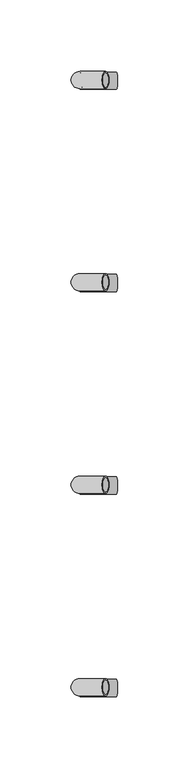
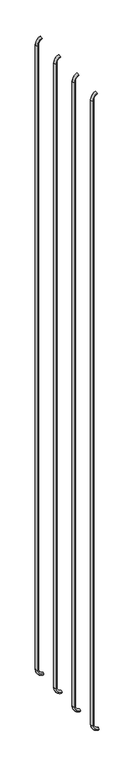
"""IFC4 building model written with IfcOpenShell, lengths in millimetres: beam geometry."""

from ifc_helpers import new_model, si_unit, point, frame, origin, place, context, project, spatial, polyline, circle_curve, ellipse_curve, trimmed, source, transform, mapped, element, save
from ifc_brep_helpers import plane_surface, cylinder_surface, revolved_surface, advanced_brep


def beam_6a7675a5(model_context):
    return source(origin(), model_context, "Body", "AdvancedBrep", [
        advanced_brep(
        [(1264.0568347, 2408.7998302, 2975.3158893), (1264.0568347, 2396.7998302, 2975.3158893), (1264.0568347, 2407.7998302, 2975.3158893), (1264.0568347, 2397.7998302, 2975.3158893), (1245.9802178, 2397.7998302, 2947.7871238), (1245.9802178, 2407.7998302, 2947.7871238), (1245.9802178, 2396.7998302, 2947.7871238), (1245.9802178, 2408.7998302, 2947.7871238), (1245.9802178, 2407.7998302, 28.8334898), (1245.9802178, 2397.7998302, 28.8334898), (1245.9802178, 2408.7998302, 28.8334898), (1245.9802178, 2396.7998302, 28.8334898), (1271.5997939, 2408.7998302, -0.8449854), (1271.5997939, 2396.7998302, -0.8449854), (1271.5997939, 2407.7998302, -0.8449854), (1271.5997939, 2397.7998302, -0.8449854)],
        [
            (0, 1, circle_curve(frame((1264.0568347, 2402.7998302, 2975.3158893), z_axis=(0.9176255197351176, 0.0, 0.3974461039321624), x_axis=(0.0, -1.0, 0.0)), 6.0)),
            (1, 0, circle_curve(frame((1264.0568347, 2402.7998302, 2975.3158893), z_axis=(0.9176255197351176, 0.0, 0.3974461039321624), x_axis=(0.0, -1.0, 0.0)), 6.0)),
            (2, 3, circle_curve(frame((1264.0568347, 2402.7998302, 2975.3158893), z_axis=(-0.9176255197351176, 0.0, -0.3974461039321624), x_axis=(0.0, -1.0, 0.0)), 5.0)),
            (3, 2, circle_curve(frame((1264.0568347, 2402.7998302, 2975.3158893), z_axis=(-0.9176255197351176, 0.0, -0.3974461039321624), x_axis=(0.0, -1.0, 0.0)), 5.0)),
            (4, 3, circle_curve(frame((1275.9802178, 2397.7998302, 2947.7871238), z_axis=(0.0, 1.0, 0.0), x_axis=(-0.3974461039321624, 0.0, 0.9176255197351176)), 30.0)),
            (2, 5, circle_curve(frame((1275.9802178, 2407.7998302, 2947.7871238), z_axis=(0.0, -1.0, 0.0), x_axis=(-0.3974461039321624, 0.0, 0.9176255197351176)), 30.0)),
            (5, 4, circle_curve(frame((1245.9802178, 2402.7998302, 2947.7871238), z_axis=(0.0, 0.0, -1.0), x_axis=(0.0, -1.0, 0.0)), 5.0)),
            (4, 5, circle_curve(frame((1245.9802178, 2402.7998302, 2947.7871238), z_axis=(0.0, 0.0, -1.0), x_axis=(0.0, -1.0, 0.0)), 5.0)),
            (6, 1, circle_curve(frame((1275.9802178, 2396.7998302, 2947.7871238), z_axis=(0.0, 1.0, 0.0), x_axis=(-0.3974461039321624, 0.0, 0.9176255197351176)), 30.0)),
            (0, 7, circle_curve(frame((1275.9802178, 2408.7998302, 2947.7871238), z_axis=(0.0, -1.0, 0.0), x_axis=(-0.3974461039321624, 0.0, 0.9176255197351176)), 30.0)),
            (7, 6, circle_curve(frame((1245.9802178, 2402.7998302, 2947.7871238), z_axis=(0.0, 0.0, 1.0), x_axis=(0.0, -1.0, 0.0)), 6.0)),
            (6, 7, circle_curve(frame((1245.9802178, 2402.7998302, 2947.7871238), z_axis=(0.0, 0.0, 1.0), x_axis=(0.0, -1.0, 0.0)), 6.0)),
            (5, 8),
            (8, 9, circle_curve(frame((1245.9802178, 2402.7998302, 28.8334898), z_axis=(0.0, 0.0, -1.0), x_axis=(0.0, -1.0, 0.0)), 5.0)),
            (9, 4),
            (9, 8, circle_curve(frame((1245.9802178, 2402.7998302, 28.8334898), z_axis=(0.0, 0.0, -1.0), x_axis=(0.0, -1.0, 0.0)), 5.0)),
            (7, 10),
            (10, 11, circle_curve(frame((1245.9802178, 2402.7998302, 28.8334898), z_axis=(0.0, 0.0, 1.0), x_axis=(0.0, -1.0, 0.0)), 6.0)),
            (11, 6),
            (11, 10, circle_curve(frame((1245.9802178, 2402.7998302, 28.8334898), z_axis=(0.0, 0.0, 1.0), x_axis=(0.0, -1.0, 0.0)), 6.0)),
            (12, 13, circle_curve(frame((1271.5997939, 2402.7998302, -0.8449854), z_axis=(0.9892825047438852, 0.0, -0.14601412879466397), x_axis=(0.0, -1.0, 0.0)), 6.0)),
            (13, 12, circle_curve(frame((1271.5997939, 2402.7998302, -0.8449854), z_axis=(0.9892825047438852, 0.0, -0.14601412879466397), x_axis=(0.0, -1.0, 0.0)), 6.0)),
            (14, 15, circle_curve(frame((1271.5997939, 2402.7998302, -0.8449854), z_axis=(-0.9892825047438852, 0.0, 0.14601412879466397), x_axis=(0.0, -1.0, 0.0)), 5.0)),
            (15, 14, circle_curve(frame((1271.5997939, 2402.7998302, -0.8449854), z_axis=(-0.9892825047438852, 0.0, 0.14601412879466397), x_axis=(0.0, -1.0, 0.0)), 5.0)),
            (15, 9, circle_curve(frame((1275.9802178, 2397.7998302, 28.8334898), z_axis=(0.0, 1.0, 0.0), x_axis=(-1.0, 0.0, 0.0)), 30.0)),
            (8, 14, circle_curve(frame((1275.9802178, 2407.7998302, 28.8334898), z_axis=(0.0, -1.0, 0.0), x_axis=(-1.0, 0.0, 0.0)), 30.0)),
            (13, 11, circle_curve(frame((1275.9802178, 2396.7998302, 28.8334898), z_axis=(0.0, 1.0, 0.0), x_axis=(-1.0, 0.0, 0.0)), 30.0)),
            (10, 12, circle_curve(frame((1275.9802178, 2408.7998302, 28.8334898), z_axis=(0.0, -1.0, 0.0), x_axis=(-1.0, 0.0, 0.0)), 30.0)),
        ],
        [
            plane_surface(frame((1264.0568347, 2402.7998302, 2975.3158893), z_axis=(0.9176255197351176, 0.0, 0.3974461039321624), x_axis=(0.0, -1.0, 0.0))),
            revolved_surface(trimmed(ellipse_curve(frame((1264.0568347, 2402.7998302, 2975.3158893), z_axis=(-0.9176255197351176, 0.0, -0.3974461039321624), x_axis=(0.0, -1.0, 0.0)), 5.0, 5.0), [point((1264.0568347, 2407.7998302, 2975.3158893))], [point((1264.0568347, 2397.7998302, 2975.3158893))], True, "CARTESIAN"), (1275.9802178, 2402.7998302, 2947.7871238), (0.0, -1.0, 0.0)),
            revolved_surface(trimmed(ellipse_curve(frame((1264.0568347, 2402.7998302, 2975.3158893), z_axis=(-0.9176255197351176, 0.0, -0.3974461039321624), x_axis=(0.0, -1.0, 0.0)), 5.0, 5.0), [point((1264.0568347, 2397.7998302, 2975.3158893))], [point((1264.0568347, 2407.7998302, 2975.3158893))], True, "CARTESIAN"), (1275.9802178, 2402.7998302, 2947.7871238), (0.0, -1.0, 0.0)),
            revolved_surface(trimmed(ellipse_curve(frame((1264.0568347, 2402.7998302, 2975.3158893), z_axis=(0.9176255197351176, 0.0, 0.3974461039321624), x_axis=(0.0, -1.0, 0.0)), 6.0, 6.0), [point((1264.0568347, 2408.7998302, 2975.3158893))], [point((1264.0568347, 2396.7998302, 2975.3158893))], True, "CARTESIAN"), (1275.9802178, 2402.7998302, 2947.7871238), (0.0, -1.0, 0.0)),
            revolved_surface(trimmed(ellipse_curve(frame((1264.0568347, 2402.7998302, 2975.3158893), z_axis=(0.9176255197351176, 0.0, 0.3974461039321624), x_axis=(0.0, -1.0, 0.0)), 6.0, 6.0), [point((1264.0568347, 2396.7998302, 2975.3158893))], [point((1264.0568347, 2408.7998302, 2975.3158893))], True, "CARTESIAN"), (1275.9802178, 2402.7998302, 2947.7871238), (0.0, -1.0, 0.0)),
            revolved_surface(polyline([(1245.9802178, 2397.7998302, 28.833489799999825), (1245.9802178, 2397.7998302, 2947.7871238)]), (1245.9802178, 2402.7998302, 2947.7871238), (0.0, 0.0, -1.0)),
            cylinder_surface(frame((1245.9802178, 2402.7998302, 2947.7871238), z_axis=(0.0, 0.0, 1.0), x_axis=(0.0, -1.0, 0.0)), 6.0),
            plane_surface(frame((1271.5997939, 2402.7998302, -0.8449854), z_axis=(0.9892825047438852, 0.0, -0.14601412879466397), x_axis=(0.0, -1.0, 0.0))),
            revolved_surface(trimmed(ellipse_curve(frame((1245.9802178, 2402.7998302, 28.8334898), z_axis=(0.0, 0.0, -1.0), x_axis=(0.0, -1.0, 0.0)), 5.0, 5.0), [point((1245.9802178, 2407.7998302, 28.8334898))], [point((1245.9802178, 2397.7998302, 28.8334898))], True, "CARTESIAN"), (1275.9802178, 2402.7998302, 28.8334898), (0.0, -1.0, 0.0)),
            revolved_surface(trimmed(ellipse_curve(frame((1245.9802178, 2402.7998302, 28.8334898), z_axis=(0.0, 0.0, -1.0), x_axis=(0.0, -1.0, 0.0)), 5.0, 5.0), [point((1245.9802178, 2397.7998302, 28.8334898))], [point((1245.9802178, 2407.7998302, 28.8334898))], True, "CARTESIAN"), (1275.9802178, 2402.7998302, 28.8334898), (0.0, -1.0, 0.0)),
            revolved_surface(trimmed(ellipse_curve(frame((1245.9802178, 2402.7998302, 28.8334898), z_axis=(0.0, 0.0, 1.0), x_axis=(0.0, -1.0, 0.0)), 6.0, 6.0), [point((1245.9802178, 2408.7998302, 28.8334898))], [point((1245.9802178, 2396.7998302, 28.8334898))], True, "CARTESIAN"), (1275.9802178, 2402.7998302, 28.8334898), (0.0, -1.0, 0.0)),
            revolved_surface(trimmed(ellipse_curve(frame((1245.9802178, 2402.7998302, 28.8334898), z_axis=(0.0, 0.0, 1.0), x_axis=(0.0, -1.0, 0.0)), 6.0, 6.0), [point((1245.9802178, 2396.7998302, 28.8334898))], [point((1245.9802178, 2408.7998302, 28.8334898))], True, "CARTESIAN"), (1275.9802178, 2402.7998302, 28.8334898), (0.0, -1.0, 0.0)),
        ],
        [
            (0, [[1, 2], [3, 4]]),
            (1, [[5, -3, 6, 7]]),
            (2, [[-6, -4, -5, 8]]),
            (3, [[9, -1, 10, 11]]),
            (4, [[-10, -2, -9, 12]]),
            (5, [[-7, 13, 14, 15]]),
            (5, [[-8, -15, 16, -13]]),
            (6, [[-11, 17, 18, 19]]),
            (6, [[-12, -19, 20, -17]]),
            (7, [[21, 22], [23, 24]]),
            (8, [[25, -14, 26, -24]]),
            (9, [[-26, -16, -25, -23]]),
            (10, [[27, -18, 28, -22]]),
            (11, [[-28, -20, -27, -21]]),
        ],
    ),
        advanced_brep(
        [(1264.0568347, 2550.3623302, 2975.3158893), (1264.0568347, 2538.3623302, 2975.3158893), (1264.0568347, 2549.3623302, 2975.3158893), (1264.0568347, 2539.3623302, 2975.3158893), (1245.9802178, 2539.3623302, 2947.7871238), (1245.9802178, 2549.3623302, 2947.7871238), (1245.9802178, 2538.3623302, 2947.7871238), (1245.9802178, 2550.3623302, 2947.7871238), (1245.9802178, 2549.3623302, 28.8334898), (1245.9802178, 2539.3623302, 28.8334898), (1245.9802178, 2550.3623302, 28.8334898), (1245.9802178, 2538.3623302, 28.8334898), (1271.5997939, 2550.3623302, -0.8449854), (1271.5997939, 2538.3623302, -0.8449854), (1271.5997939, 2549.3623302, -0.8449854), (1271.5997939, 2539.3623302, -0.8449854)],
        [
            (0, 1, circle_curve(frame((1264.0568347, 2544.3623302, 2975.3158893), z_axis=(0.9176255197351176, 0.0, 0.3974461039321624), x_axis=(0.0, -1.0, 0.0)), 6.0)),
            (1, 0, circle_curve(frame((1264.0568347, 2544.3623302, 2975.3158893), z_axis=(0.9176255197351176, 0.0, 0.3974461039321624), x_axis=(0.0, -1.0, 0.0)), 6.0)),
            (2, 3, circle_curve(frame((1264.0568347, 2544.3623302, 2975.3158893), z_axis=(-0.9176255197351176, 0.0, -0.3974461039321624), x_axis=(0.0, -1.0, 0.0)), 5.0)),
            (3, 2, circle_curve(frame((1264.0568347, 2544.3623302, 2975.3158893), z_axis=(-0.9176255197351176, 0.0, -0.3974461039321624), x_axis=(0.0, -1.0, 0.0)), 5.0)),
            (4, 3, circle_curve(frame((1275.9802178, 2539.3623302, 2947.7871238), z_axis=(0.0, 1.0, 0.0), x_axis=(-0.3974461039321624, 0.0, 0.9176255197351176)), 30.0)),
            (2, 5, circle_curve(frame((1275.9802178, 2549.3623302, 2947.7871238), z_axis=(0.0, -1.0, 0.0), x_axis=(-0.3974461039321624, 0.0, 0.9176255197351176)), 30.0)),
            (5, 4, circle_curve(frame((1245.9802178, 2544.3623302, 2947.7871238), z_axis=(0.0, 0.0, -1.0), x_axis=(0.0, -1.0, 0.0)), 5.0)),
            (4, 5, circle_curve(frame((1245.9802178, 2544.3623302, 2947.7871238), z_axis=(0.0, 0.0, -1.0), x_axis=(0.0, -1.0, 0.0)), 5.0)),
            (6, 1, circle_curve(frame((1275.9802178, 2538.3623302, 2947.7871238), z_axis=(0.0, 1.0, 0.0), x_axis=(-0.3974461039321624, 0.0, 0.9176255197351176)), 30.0)),
            (0, 7, circle_curve(frame((1275.9802178, 2550.3623302, 2947.7871238), z_axis=(0.0, -1.0, 0.0), x_axis=(-0.3974461039321624, 0.0, 0.9176255197351176)), 30.0)),
            (7, 6, circle_curve(frame((1245.9802178, 2544.3623302, 2947.7871238), z_axis=(0.0, 0.0, 1.0), x_axis=(0.0, -1.0, 0.0)), 6.0)),
            (6, 7, circle_curve(frame((1245.9802178, 2544.3623302, 2947.7871238), z_axis=(0.0, 0.0, 1.0), x_axis=(0.0, -1.0, 0.0)), 6.0)),
            (5, 8),
            (8, 9, circle_curve(frame((1245.9802178, 2544.3623302, 28.8334898), z_axis=(0.0, 0.0, -1.0), x_axis=(0.0, -1.0, 0.0)), 5.0)),
            (9, 4),
            (9, 8, circle_curve(frame((1245.9802178, 2544.3623302, 28.8334898), z_axis=(0.0, 0.0, -1.0), x_axis=(0.0, -1.0, 0.0)), 5.0)),
            (7, 10),
            (10, 11, circle_curve(frame((1245.9802178, 2544.3623302, 28.8334898), z_axis=(0.0, 0.0, 1.0), x_axis=(0.0, -1.0, 0.0)), 6.0)),
            (11, 6),
            (11, 10, circle_curve(frame((1245.9802178, 2544.3623302, 28.8334898), z_axis=(0.0, 0.0, 1.0), x_axis=(0.0, -1.0, 0.0)), 6.0)),
            (12, 13, circle_curve(frame((1271.5997939, 2544.3623302, -0.8449854), z_axis=(0.9892825047438852, 0.0, -0.14601412879466397), x_axis=(0.0, -1.0, 0.0)), 6.0)),
            (13, 12, circle_curve(frame((1271.5997939, 2544.3623302, -0.8449854), z_axis=(0.9892825047438852, 0.0, -0.14601412879466397), x_axis=(0.0, -1.0, 0.0)), 6.0)),
            (14, 15, circle_curve(frame((1271.5997939, 2544.3623302, -0.8449854), z_axis=(-0.9892825047438852, 0.0, 0.14601412879466397), x_axis=(0.0, -1.0, 0.0)), 5.0)),
            (15, 14, circle_curve(frame((1271.5997939, 2544.3623302, -0.8449854), z_axis=(-0.9892825047438852, 0.0, 0.14601412879466397), x_axis=(0.0, -1.0, 0.0)), 5.0)),
            (15, 9, circle_curve(frame((1275.9802178, 2539.3623302, 28.8334898), z_axis=(0.0, 1.0, 0.0), x_axis=(-1.0, 0.0, 0.0)), 30.0)),
            (8, 14, circle_curve(frame((1275.9802178, 2549.3623302, 28.8334898), z_axis=(0.0, -1.0, 0.0), x_axis=(-1.0, 0.0, 0.0)), 30.0)),
            (13, 11, circle_curve(frame((1275.9802178, 2538.3623302, 28.8334898), z_axis=(0.0, 1.0, 0.0), x_axis=(-1.0, 0.0, 0.0)), 30.0)),
            (10, 12, circle_curve(frame((1275.9802178, 2550.3623302, 28.8334898), z_axis=(0.0, -1.0, 0.0), x_axis=(-1.0, 0.0, 0.0)), 30.0)),
        ],
        [
            plane_surface(frame((1264.0568347, 2544.3623302, 2975.3158893), z_axis=(0.9176255197351176, 0.0, 0.3974461039321624), x_axis=(0.0, -1.0, 0.0))),
            revolved_surface(trimmed(ellipse_curve(frame((1264.0568347, 2544.3623302, 2975.3158893), z_axis=(-0.9176255197351176, 0.0, -0.3974461039321624), x_axis=(0.0, -1.0, 0.0)), 5.0, 5.0), [point((1264.0568347, 2549.3623302, 2975.3158893))], [point((1264.0568347, 2539.3623302, 2975.3158893))], True, "CARTESIAN"), (1275.9802178, 2544.3623302, 2947.7871238), (0.0, -1.0, 0.0)),
            revolved_surface(trimmed(ellipse_curve(frame((1264.0568347, 2544.3623302, 2975.3158893), z_axis=(-0.9176255197351176, 0.0, -0.3974461039321624), x_axis=(0.0, -1.0, 0.0)), 5.0, 5.0), [point((1264.0568347, 2539.3623302, 2975.3158893))], [point((1264.0568347, 2549.3623302, 2975.3158893))], True, "CARTESIAN"), (1275.9802178, 2544.3623302, 2947.7871238), (0.0, -1.0, 0.0)),
            revolved_surface(trimmed(ellipse_curve(frame((1264.0568347, 2544.3623302, 2975.3158893), z_axis=(0.9176255197351176, 0.0, 0.3974461039321624), x_axis=(0.0, -1.0, 0.0)), 6.0, 6.0), [point((1264.0568347, 2550.3623302, 2975.3158893))], [point((1264.0568347, 2538.3623302, 2975.3158893))], True, "CARTESIAN"), (1275.9802178, 2544.3623302, 2947.7871238), (0.0, -1.0, 0.0)),
            revolved_surface(trimmed(ellipse_curve(frame((1264.0568347, 2544.3623302, 2975.3158893), z_axis=(0.9176255197351176, 0.0, 0.3974461039321624), x_axis=(0.0, -1.0, 0.0)), 6.0, 6.0), [point((1264.0568347, 2538.3623302, 2975.3158893))], [point((1264.0568347, 2550.3623302, 2975.3158893))], True, "CARTESIAN"), (1275.9802178, 2544.3623302, 2947.7871238), (0.0, -1.0, 0.0)),
            revolved_surface(polyline([(1245.9802178, 2539.3623302, 28.833489799999825), (1245.9802178, 2539.3623302, 2947.7871238)]), (1245.9802178, 2544.3623302, 2947.7871238), (0.0, 0.0, -1.0)),
            cylinder_surface(frame((1245.9802178, 2544.3623302, 2947.7871238), z_axis=(0.0, 0.0, 1.0), x_axis=(0.0, -1.0, 0.0)), 6.0),
            plane_surface(frame((1271.5997939, 2544.3623302, -0.8449854), z_axis=(0.9892825047438852, 0.0, -0.14601412879466397), x_axis=(0.0, -1.0, 0.0))),
            revolved_surface(trimmed(ellipse_curve(frame((1245.9802178, 2544.3623302, 28.8334898), z_axis=(0.0, 0.0, -1.0), x_axis=(0.0, -1.0, 0.0)), 5.0, 5.0), [point((1245.9802178, 2549.3623302, 28.8334898))], [point((1245.9802178, 2539.3623302, 28.8334898))], True, "CARTESIAN"), (1275.9802178, 2544.3623302, 28.8334898), (0.0, -1.0, 0.0)),
            revolved_surface(trimmed(ellipse_curve(frame((1245.9802178, 2544.3623302, 28.8334898), z_axis=(0.0, 0.0, -1.0), x_axis=(0.0, -1.0, 0.0)), 5.0, 5.0), [point((1245.9802178, 2539.3623302, 28.8334898))], [point((1245.9802178, 2549.3623302, 28.8334898))], True, "CARTESIAN"), (1275.9802178, 2544.3623302, 28.8334898), (0.0, -1.0, 0.0)),
            revolved_surface(trimmed(ellipse_curve(frame((1245.9802178, 2544.3623302, 28.8334898), z_axis=(0.0, 0.0, 1.0), x_axis=(0.0, -1.0, 0.0)), 6.0, 6.0), [point((1245.9802178, 2550.3623302, 28.8334898))], [point((1245.9802178, 2538.3623302, 28.8334898))], True, "CARTESIAN"), (1275.9802178, 2544.3623302, 28.8334898), (0.0, -1.0, 0.0)),
            revolved_surface(trimmed(ellipse_curve(frame((1245.9802178, 2544.3623302, 28.8334898), z_axis=(0.0, 0.0, 1.0), x_axis=(0.0, -1.0, 0.0)), 6.0, 6.0), [point((1245.9802178, 2538.3623302, 28.8334898))], [point((1245.9802178, 2550.3623302, 28.8334898))], True, "CARTESIAN"), (1275.9802178, 2544.3623302, 28.8334898), (0.0, -1.0, 0.0)),
        ],
        [
            (0, [[1, 2], [3, 4]]),
            (1, [[5, -3, 6, 7]]),
            (2, [[-6, -4, -5, 8]]),
            (3, [[9, -1, 10, 11]]),
            (4, [[-10, -2, -9, 12]]),
            (5, [[-7, 13, 14, 15]]),
            (5, [[-8, -15, 16, -13]]),
            (6, [[-11, 17, 18, 19]]),
            (6, [[-12, -19, 20, -17]]),
            (7, [[21, 22], [23, 24]]),
            (8, [[25, -14, 26, -24]]),
            (9, [[-26, -16, -25, -23]]),
            (10, [[27, -18, 28, -22]]),
            (11, [[-28, -20, -27, -21]]),
        ],
    ),
        advanced_brep(
        [(1264.0568347, 2833.4873302, 2975.3158893), (1264.0568347, 2821.4873302, 2975.3158893), (1264.0568347, 2832.4873302, 2975.3158893), (1264.0568347, 2822.4873302, 2975.3158893), (1245.9802178, 2822.4873302, 2947.7871238), (1245.9802178, 2832.4873302, 2947.7871238), (1245.9802178, 2821.4873302, 2947.7871238), (1245.9802178, 2833.4873302, 2947.7871238), (1245.9802178, 2832.4873302, 28.8334898), (1245.9802178, 2822.4873302, 28.8334898), (1245.9802178, 2833.4873302, 28.8334898), (1245.9802178, 2821.4873302, 28.8334898), (1271.5997939, 2833.4873302, -0.8449854), (1271.5997939, 2821.4873302, -0.8449854), (1271.5997939, 2832.4873302, -0.8449854), (1271.5997939, 2822.4873302, -0.8449854)],
        [
            (0, 1, circle_curve(frame((1264.0568347, 2827.4873302, 2975.3158893), z_axis=(0.9176255197351176, 0.0, 0.3974461039321624), x_axis=(0.0, -1.0, 0.0)), 6.0)),
            (1, 0, circle_curve(frame((1264.0568347, 2827.4873302, 2975.3158893), z_axis=(0.9176255197351176, 0.0, 0.3974461039321624), x_axis=(0.0, -1.0, 0.0)), 6.0)),
            (2, 3, circle_curve(frame((1264.0568347, 2827.4873302, 2975.3158893), z_axis=(-0.9176255197351176, 0.0, -0.3974461039321624), x_axis=(0.0, -1.0, 0.0)), 5.0)),
            (3, 2, circle_curve(frame((1264.0568347, 2827.4873302, 2975.3158893), z_axis=(-0.9176255197351176, 0.0, -0.3974461039321624), x_axis=(0.0, -1.0, 0.0)), 5.0)),
            (4, 3, circle_curve(frame((1275.9802178, 2822.4873302, 2947.7871238), z_axis=(0.0, 1.0, 0.0), x_axis=(-0.3974461039321624, 0.0, 0.9176255197351176)), 30.0)),
            (2, 5, circle_curve(frame((1275.9802178, 2832.4873302, 2947.7871238), z_axis=(0.0, -1.0, 0.0), x_axis=(-0.3974461039321624, 0.0, 0.9176255197351176)), 30.0)),
            (5, 4, circle_curve(frame((1245.9802178, 2827.4873302, 2947.7871238), z_axis=(0.0, 0.0, -1.0), x_axis=(0.0, -1.0, 0.0)), 5.0)),
            (4, 5, circle_curve(frame((1245.9802178, 2827.4873302, 2947.7871238), z_axis=(0.0, 0.0, -1.0), x_axis=(0.0, -1.0, 0.0)), 5.0)),
            (6, 1, circle_curve(frame((1275.9802178, 2821.4873302, 2947.7871238), z_axis=(0.0, 1.0, 0.0), x_axis=(-0.3974461039321624, 0.0, 0.9176255197351176)), 30.0)),
            (0, 7, circle_curve(frame((1275.9802178, 2833.4873302, 2947.7871238), z_axis=(0.0, -1.0, 0.0), x_axis=(-0.3974461039321624, 0.0, 0.9176255197351176)), 30.0)),
            (7, 6, circle_curve(frame((1245.9802178, 2827.4873302, 2947.7871238), z_axis=(0.0, 0.0, 1.0), x_axis=(0.0, -1.0, 0.0)), 6.0)),
            (6, 7, circle_curve(frame((1245.9802178, 2827.4873302, 2947.7871238), z_axis=(0.0, 0.0, 1.0), x_axis=(0.0, -1.0, 0.0)), 6.0)),
            (5, 8),
            (8, 9, circle_curve(frame((1245.9802178, 2827.4873302, 28.8334898), z_axis=(0.0, 0.0, -1.0), x_axis=(0.0, -1.0, 0.0)), 5.0)),
            (9, 4),
            (9, 8, circle_curve(frame((1245.9802178, 2827.4873302, 28.8334898), z_axis=(0.0, 0.0, -1.0), x_axis=(0.0, -1.0, 0.0)), 5.0)),
            (7, 10),
            (10, 11, circle_curve(frame((1245.9802178, 2827.4873302, 28.8334898), z_axis=(0.0, 0.0, 1.0), x_axis=(0.0, -1.0, 0.0)), 6.0)),
            (11, 6),
            (11, 10, circle_curve(frame((1245.9802178, 2827.4873302, 28.8334898), z_axis=(0.0, 0.0, 1.0), x_axis=(0.0, -1.0, 0.0)), 6.0)),
            (12, 13, circle_curve(frame((1271.5997939, 2827.4873302, -0.8449854), z_axis=(0.9892825047438852, 0.0, -0.14601412879466397), x_axis=(0.0, -1.0, 0.0)), 6.0)),
            (13, 12, circle_curve(frame((1271.5997939, 2827.4873302, -0.8449854), z_axis=(0.9892825047438852, 0.0, -0.14601412879466397), x_axis=(0.0, -1.0, 0.0)), 6.0)),
            (14, 15, circle_curve(frame((1271.5997939, 2827.4873302, -0.8449854), z_axis=(-0.9892825047438852, 0.0, 0.14601412879466397), x_axis=(0.0, -1.0, 0.0)), 5.0)),
            (15, 14, circle_curve(frame((1271.5997939, 2827.4873302, -0.8449854), z_axis=(-0.9892825047438852, 0.0, 0.14601412879466397), x_axis=(0.0, -1.0, 0.0)), 5.0)),
            (15, 9, circle_curve(frame((1275.9802178, 2822.4873302, 28.8334898), z_axis=(0.0, 1.0, 0.0), x_axis=(-1.0, 0.0, 0.0)), 30.0)),
            (8, 14, circle_curve(frame((1275.9802178, 2832.4873302, 28.8334898), z_axis=(0.0, -1.0, 0.0), x_axis=(-1.0, 0.0, 0.0)), 30.0)),
            (13, 11, circle_curve(frame((1275.9802178, 2821.4873302, 28.8334898), z_axis=(0.0, 1.0, 0.0), x_axis=(-1.0, 0.0, 0.0)), 30.0)),
            (10, 12, circle_curve(frame((1275.9802178, 2833.4873302, 28.8334898), z_axis=(0.0, -1.0, 0.0), x_axis=(-1.0, 0.0, 0.0)), 30.0)),
        ],
        [
            plane_surface(frame((1264.0568347, 2827.4873302, 2975.3158893), z_axis=(0.9176255197351176, 0.0, 0.3974461039321624), x_axis=(0.0, -1.0, 0.0))),
            revolved_surface(trimmed(ellipse_curve(frame((1264.0568347, 2827.4873302, 2975.3158893), z_axis=(-0.9176255197351176, 0.0, -0.3974461039321624), x_axis=(0.0, -1.0, 0.0)), 5.0, 5.0), [point((1264.0568347, 2832.4873302, 2975.3158893))], [point((1264.0568347, 2822.4873302, 2975.3158893))], True, "CARTESIAN"), (1275.9802178, 2827.4873302, 2947.7871238), (0.0, -1.0, 0.0)),
            revolved_surface(trimmed(ellipse_curve(frame((1264.0568347, 2827.4873302, 2975.3158893), z_axis=(-0.9176255197351176, 0.0, -0.3974461039321624), x_axis=(0.0, -1.0, 0.0)), 5.0, 5.0), [point((1264.0568347, 2822.4873302, 2975.3158893))], [point((1264.0568347, 2832.4873302, 2975.3158893))], True, "CARTESIAN"), (1275.9802178, 2827.4873302, 2947.7871238), (0.0, -1.0, 0.0)),
            revolved_surface(trimmed(ellipse_curve(frame((1264.0568347, 2827.4873302, 2975.3158893), z_axis=(0.9176255197351176, 0.0, 0.3974461039321624), x_axis=(0.0, -1.0, 0.0)), 6.0, 6.0), [point((1264.0568347, 2833.4873302, 2975.3158893))], [point((1264.0568347, 2821.4873302, 2975.3158893))], True, "CARTESIAN"), (1275.9802178, 2827.4873302, 2947.7871238), (0.0, -1.0, 0.0)),
            revolved_surface(trimmed(ellipse_curve(frame((1264.0568347, 2827.4873302, 2975.3158893), z_axis=(0.9176255197351176, 0.0, 0.3974461039321624), x_axis=(0.0, -1.0, 0.0)), 6.0, 6.0), [point((1264.0568347, 2821.4873302, 2975.3158893))], [point((1264.0568347, 2833.4873302, 2975.3158893))], True, "CARTESIAN"), (1275.9802178, 2827.4873302, 2947.7871238), (0.0, -1.0, 0.0)),
            revolved_surface(polyline([(1245.9802178, 2822.4873302, 28.833489799999825), (1245.9802178, 2822.4873302, 2947.7871238)]), (1245.9802178, 2827.4873302, 2947.7871238), (0.0, 0.0, -1.0)),
            cylinder_surface(frame((1245.9802178, 2827.4873302, 2947.7871238), z_axis=(0.0, 0.0, 1.0), x_axis=(0.0, -1.0, 0.0)), 6.0),
            plane_surface(frame((1271.5997939, 2827.4873302, -0.8449854), z_axis=(0.9892825047438852, 0.0, -0.14601412879466397), x_axis=(0.0, -1.0, 0.0))),
            revolved_surface(trimmed(ellipse_curve(frame((1245.9802178, 2827.4873302, 28.8334898), z_axis=(0.0, 0.0, -1.0), x_axis=(0.0, -1.0, 0.0)), 5.0, 5.0), [point((1245.9802178, 2832.4873302, 28.8334898))], [point((1245.9802178, 2822.4873302, 28.8334898))], True, "CARTESIAN"), (1275.9802178, 2827.4873302, 28.8334898), (0.0, -1.0, 0.0)),
            revolved_surface(trimmed(ellipse_curve(frame((1245.9802178, 2827.4873302, 28.8334898), z_axis=(0.0, 0.0, -1.0), x_axis=(0.0, -1.0, 0.0)), 5.0, 5.0), [point((1245.9802178, 2822.4873302, 28.8334898))], [point((1245.9802178, 2832.4873302, 28.8334898))], True, "CARTESIAN"), (1275.9802178, 2827.4873302, 28.8334898), (0.0, -1.0, 0.0)),
            revolved_surface(trimmed(ellipse_curve(frame((1245.9802178, 2827.4873302, 28.8334898), z_axis=(0.0, 0.0, 1.0), x_axis=(0.0, -1.0, 0.0)), 6.0, 6.0), [point((1245.9802178, 2833.4873302, 28.8334898))], [point((1245.9802178, 2821.4873302, 28.8334898))], True, "CARTESIAN"), (1275.9802178, 2827.4873302, 28.8334898), (0.0, -1.0, 0.0)),
            revolved_surface(trimmed(ellipse_curve(frame((1245.9802178, 2827.4873302, 28.8334898), z_axis=(0.0, 0.0, 1.0), x_axis=(0.0, -1.0, 0.0)), 6.0, 6.0), [point((1245.9802178, 2821.4873302, 28.8334898))], [point((1245.9802178, 2833.4873302, 28.8334898))], True, "CARTESIAN"), (1275.9802178, 2827.4873302, 28.8334898), (0.0, -1.0, 0.0)),
        ],
        [
            (0, [[1, 2], [3, 4]]),
            (1, [[5, -3, 6, 7]]),
            (2, [[-6, -4, -5, 8]]),
            (3, [[9, -1, 10, 11]]),
            (4, [[-10, -2, -9, 12]]),
            (5, [[-7, 13, 14, 15]]),
            (5, [[-8, -15, 16, -13]]),
            (6, [[-11, 17, 18, 19]]),
            (6, [[-12, -19, 20, -17]]),
            (7, [[21, 22], [23, 24]]),
            (8, [[25, -14, 26, -24]]),
            (9, [[-26, -16, -25, -23]]),
            (10, [[27, -18, 28, -22]]),
            (11, [[-28, -20, -27, -21]]),
        ],
    ),
        advanced_brep(
        [(1264.0568347, 2692.0810802, 2975.3158893), (1264.0568347, 2680.0810802, 2975.3158893), (1264.0568347, 2691.0810802, 2975.3158893), (1264.0568347, 2681.0810802, 2975.3158893), (1245.9802178, 2681.0810802, 2947.7871238), (1245.9802178, 2691.0810802, 2947.7871238), (1245.9802178, 2680.0810802, 2947.7871238), (1245.9802178, 2692.0810802, 2947.7871238), (1245.9802178, 2691.0810802, 28.8334898), (1245.9802178, 2681.0810802, 28.8334898), (1245.9802178, 2692.0810802, 28.8334898), (1245.9802178, 2680.0810802, 28.8334898), (1271.5997939, 2692.0810802, -0.8449854), (1271.5997939, 2680.0810802, -0.8449854), (1271.5997939, 2691.0810802, -0.8449854), (1271.5997939, 2681.0810802, -0.8449854)],
        [
            (0, 1, circle_curve(frame((1264.0568347, 2686.0810802, 2975.3158893), z_axis=(0.9176255197351176, 0.0, 0.3974461039321624), x_axis=(0.0, -1.0, 0.0)), 6.0)),
            (1, 0, circle_curve(frame((1264.0568347, 2686.0810802, 2975.3158893), z_axis=(0.9176255197351176, 0.0, 0.3974461039321624), x_axis=(0.0, -1.0, 0.0)), 6.0)),
            (2, 3, circle_curve(frame((1264.0568347, 2686.0810802, 2975.3158893), z_axis=(-0.9176255197351176, 0.0, -0.3974461039321624), x_axis=(0.0, -1.0, 0.0)), 5.0)),
            (3, 2, circle_curve(frame((1264.0568347, 2686.0810802, 2975.3158893), z_axis=(-0.9176255197351176, 0.0, -0.3974461039321624), x_axis=(0.0, -1.0, 0.0)), 5.0)),
            (4, 3, circle_curve(frame((1275.9802178, 2681.0810802, 2947.7871238), z_axis=(0.0, 1.0, 0.0), x_axis=(-0.3974461039321624, 0.0, 0.9176255197351176)), 30.0)),
            (2, 5, circle_curve(frame((1275.9802178, 2691.0810802, 2947.7871238), z_axis=(0.0, -1.0, 0.0), x_axis=(-0.3974461039321624, 0.0, 0.9176255197351176)), 30.0)),
            (5, 4, circle_curve(frame((1245.9802178, 2686.0810802, 2947.7871238), z_axis=(0.0, 0.0, -1.0), x_axis=(0.0, -1.0, 0.0)), 5.0)),
            (4, 5, circle_curve(frame((1245.9802178, 2686.0810802, 2947.7871238), z_axis=(0.0, 0.0, -1.0), x_axis=(0.0, -1.0, 0.0)), 5.0)),
            (6, 1, circle_curve(frame((1275.9802178, 2680.0810802, 2947.7871238), z_axis=(0.0, 1.0, 0.0), x_axis=(-0.3974461039321624, 0.0, 0.9176255197351176)), 30.0)),
            (0, 7, circle_curve(frame((1275.9802178, 2692.0810802, 2947.7871238), z_axis=(0.0, -1.0, 0.0), x_axis=(-0.3974461039321624, 0.0, 0.9176255197351176)), 30.0)),
            (7, 6, circle_curve(frame((1245.9802178, 2686.0810802, 2947.7871238), z_axis=(0.0, 0.0, 1.0), x_axis=(0.0, -1.0, 0.0)), 6.0)),
            (6, 7, circle_curve(frame((1245.9802178, 2686.0810802, 2947.7871238), z_axis=(0.0, 0.0, 1.0), x_axis=(0.0, -1.0, 0.0)), 6.0)),
            (5, 8),
            (8, 9, circle_curve(frame((1245.9802178, 2686.0810802, 28.8334898), z_axis=(0.0, 0.0, -1.0), x_axis=(0.0, -1.0, 0.0)), 5.0)),
            (9, 4),
            (9, 8, circle_curve(frame((1245.9802178, 2686.0810802, 28.8334898), z_axis=(0.0, 0.0, -1.0), x_axis=(0.0, -1.0, 0.0)), 5.0)),
            (7, 10),
            (10, 11, circle_curve(frame((1245.9802178, 2686.0810802, 28.8334898), z_axis=(0.0, 0.0, 1.0), x_axis=(0.0, -1.0, 0.0)), 6.0)),
            (11, 6),
            (11, 10, circle_curve(frame((1245.9802178, 2686.0810802, 28.8334898), z_axis=(0.0, 0.0, 1.0), x_axis=(0.0, -1.0, 0.0)), 6.0)),
            (12, 13, circle_curve(frame((1271.5997939, 2686.0810802, -0.8449854), z_axis=(0.9892825047438852, 0.0, -0.14601412879466397), x_axis=(0.0, -1.0, 0.0)), 6.0)),
            (13, 12, circle_curve(frame((1271.5997939, 2686.0810802, -0.8449854), z_axis=(0.9892825047438852, 0.0, -0.14601412879466397), x_axis=(0.0, -1.0, 0.0)), 6.0)),
            (14, 15, circle_curve(frame((1271.5997939, 2686.0810802, -0.8449854), z_axis=(-0.9892825047438852, 0.0, 0.14601412879466397), x_axis=(0.0, -1.0, 0.0)), 5.0)),
            (15, 14, circle_curve(frame((1271.5997939, 2686.0810802, -0.8449854), z_axis=(-0.9892825047438852, 0.0, 0.14601412879466397), x_axis=(0.0, -1.0, 0.0)), 5.0)),
            (15, 9, circle_curve(frame((1275.9802178, 2681.0810802, 28.8334898), z_axis=(0.0, 1.0, 0.0), x_axis=(-1.0, 0.0, 0.0)), 30.0)),
            (8, 14, circle_curve(frame((1275.9802178, 2691.0810802, 28.8334898), z_axis=(0.0, -1.0, 0.0), x_axis=(-1.0, 0.0, 0.0)), 30.0)),
            (13, 11, circle_curve(frame((1275.9802178, 2680.0810802, 28.8334898), z_axis=(0.0, 1.0, 0.0), x_axis=(-1.0, 0.0, 0.0)), 30.0)),
            (10, 12, circle_curve(frame((1275.9802178, 2692.0810802, 28.8334898), z_axis=(0.0, -1.0, 0.0), x_axis=(-1.0, 0.0, 0.0)), 30.0)),
        ],
        [
            plane_surface(frame((1264.0568347, 2686.0810802, 2975.3158893), z_axis=(0.9176255197351176, 0.0, 0.3974461039321624), x_axis=(0.0, -1.0, 0.0))),
            revolved_surface(trimmed(ellipse_curve(frame((1264.0568347, 2686.0810802, 2975.3158893), z_axis=(-0.9176255197351176, 0.0, -0.3974461039321624), x_axis=(0.0, -1.0, 0.0)), 5.0, 5.0), [point((1264.0568347, 2691.0810802, 2975.3158893))], [point((1264.0568347, 2681.0810802, 2975.3158893))], True, "CARTESIAN"), (1275.9802178, 2686.0810802, 2947.7871238), (0.0, -1.0, 0.0)),
            revolved_surface(trimmed(ellipse_curve(frame((1264.0568347, 2686.0810802, 2975.3158893), z_axis=(-0.9176255197351176, 0.0, -0.3974461039321624), x_axis=(0.0, -1.0, 0.0)), 5.0, 5.0), [point((1264.0568347, 2681.0810802, 2975.3158893))], [point((1264.0568347, 2691.0810802, 2975.3158893))], True, "CARTESIAN"), (1275.9802178, 2686.0810802, 2947.7871238), (0.0, -1.0, 0.0)),
            revolved_surface(trimmed(ellipse_curve(frame((1264.0568347, 2686.0810802, 2975.3158893), z_axis=(0.9176255197351176, 0.0, 0.3974461039321624), x_axis=(0.0, -1.0, 0.0)), 6.0, 6.0), [point((1264.0568347, 2692.0810802, 2975.3158893))], [point((1264.0568347, 2680.0810802, 2975.3158893))], True, "CARTESIAN"), (1275.9802178, 2686.0810802, 2947.7871238), (0.0, -1.0, 0.0)),
            revolved_surface(trimmed(ellipse_curve(frame((1264.0568347, 2686.0810802, 2975.3158893), z_axis=(0.9176255197351176, 0.0, 0.3974461039321624), x_axis=(0.0, -1.0, 0.0)), 6.0, 6.0), [point((1264.0568347, 2680.0810802, 2975.3158893))], [point((1264.0568347, 2692.0810802, 2975.3158893))], True, "CARTESIAN"), (1275.9802178, 2686.0810802, 2947.7871238), (0.0, -1.0, 0.0)),
            revolved_surface(polyline([(1245.9802178, 2681.0810802, 28.833489799999825), (1245.9802178, 2681.0810802, 2947.7871238)]), (1245.9802178, 2686.0810802, 2947.7871238), (0.0, 0.0, -1.0)),
            cylinder_surface(frame((1245.9802178, 2686.0810802, 2947.7871238), z_axis=(0.0, 0.0, 1.0), x_axis=(0.0, -1.0, 0.0)), 6.0),
            plane_surface(frame((1271.5997939, 2686.0810802, -0.8449854), z_axis=(0.9892825047438852, 0.0, -0.14601412879466397), x_axis=(0.0, -1.0, 0.0))),
            revolved_surface(trimmed(ellipse_curve(frame((1245.9802178, 2686.0810802, 28.8334898), z_axis=(0.0, 0.0, -1.0), x_axis=(0.0, -1.0, 0.0)), 5.0, 5.0), [point((1245.9802178, 2691.0810802, 28.8334898))], [point((1245.9802178, 2681.0810802, 28.8334898))], True, "CARTESIAN"), (1275.9802178, 2686.0810802, 28.8334898), (0.0, -1.0, 0.0)),
            revolved_surface(trimmed(ellipse_curve(frame((1245.9802178, 2686.0810802, 28.8334898), z_axis=(0.0, 0.0, -1.0), x_axis=(0.0, -1.0, 0.0)), 5.0, 5.0), [point((1245.9802178, 2681.0810802, 28.8334898))], [point((1245.9802178, 2691.0810802, 28.8334898))], True, "CARTESIAN"), (1275.9802178, 2686.0810802, 28.8334898), (0.0, -1.0, 0.0)),
            revolved_surface(trimmed(ellipse_curve(frame((1245.9802178, 2686.0810802, 28.8334898), z_axis=(0.0, 0.0, 1.0), x_axis=(0.0, -1.0, 0.0)), 6.0, 6.0), [point((1245.9802178, 2692.0810802, 28.8334898))], [point((1245.9802178, 2680.0810802, 28.8334898))], True, "CARTESIAN"), (1275.9802178, 2686.0810802, 28.8334898), (0.0, -1.0, 0.0)),
            revolved_surface(trimmed(ellipse_curve(frame((1245.9802178, 2686.0810802, 28.8334898), z_axis=(0.0, 0.0, 1.0), x_axis=(0.0, -1.0, 0.0)), 6.0, 6.0), [point((1245.9802178, 2680.0810802, 28.8334898))], [point((1245.9802178, 2692.0810802, 28.8334898))], True, "CARTESIAN"), (1275.9802178, 2686.0810802, 28.8334898), (0.0, -1.0, 0.0)),
        ],
        [
            (0, [[1, 2], [3, 4]]),
            (1, [[5, -3, 6, 7]]),
            (2, [[-6, -4, -5, 8]]),
            (3, [[9, -1, 10, 11]]),
            (4, [[-10, -2, -9, 12]]),
            (5, [[-7, 13, 14, 15]]),
            (5, [[-8, -15, 16, -13]]),
            (6, [[-11, 17, 18, 19]]),
            (6, [[-12, -19, 20, -17]]),
            (7, [[21, 22], [23, 24]]),
            (8, [[25, -14, 26, -24]]),
            (9, [[-26, -16, -25, -23]]),
            (10, [[27, -18, 28, -22]]),
            (11, [[-28, -20, -27, -21]]),
        ],
    ),
    ])


if __name__ == "__main__":
    model = new_model("IFC4")
    model_context = context("Model", 3, world=origin())
    ifc_project = project(units=[si_unit("LENGTHUNIT", "METRE", prefix="MILLI")], contexts=[model_context])
    site = spatial("IfcSite", under=ifc_project)
    building = spatial("IfcBuilding", under=site)
    placement = place(None, origin())
    beam_shape = beam_6a7675a5(model_context)
    element("IfcBeam", 1, at=placement, inside=building, context=model_context, shape_type="MappedRepresentation", body=[
        mapped(beam_shape, transform((0.0, 0.0, 0.0), x_axis=(1.0, 0.0, 0.0), y_axis=(0.0, 1.0, 0.0), z_axis=(0.0, 0.0, 1.0))),
    ])
    save(model, "model.ifc")
